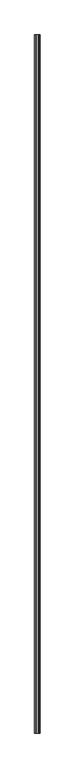
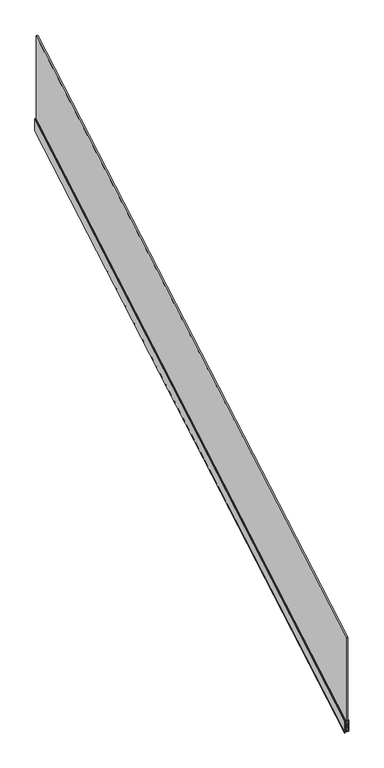
"""IFC4 building model written with IfcOpenShell, lengths in millimetres: railing geometry."""

from ifc_helpers import new_model, si_unit, frame, origin, place, context, project, spatial, polyline, ellipse_curve, faceted_brep, source, transform, mapped, element, save
from ifc_brep_helpers import plane_surface, cylinder_surface, revolved_surface, advanced_brep


def railing_a788dbf1(model_context):
    return source(origin(), model_context, "Body", "SolidModel", [
        faceted_brep([(-17221.6294741, -67863.9305034, 1172.4394537), (-17221.6294741, -67863.9305034, 28.1159935), (-17204.1094741, -67863.9305034, 28.1159935), (-17204.1094741, -67863.9305034, 1172.4394537), (-17221.6294741, -61563.9305034, 4824.6133667), (-17204.1094741, -61563.9305034, 4824.6133667), (-17204.1094741, -61563.9305034, 3680.2899066), (-17221.6294741, -61563.9305034, 3680.2899066)], [[[0, 1, 2, 3]], [[4, 5, 6, 7]], [[0, 3, 5, 4]], [[3, 2, 6, 5]], [[2, 1, 7, 6]], [[1, 0, 4, 7]]]),
        faceted_brep([(-17200.3694741, -67863.9305034, 15.4718663), (-17225.3694741, -67863.9305034, 15.4718663), (-17225.3694741, -67863.9305034, 92.3380381), (-17229.1694741, -67863.9305034, 118.8339228), (-17228.1694741, -67863.9305034, 119.5012718), (-17228.1694741, -67863.9305034, 142.6189174), (-17231.8694742, -67863.9305034, 142.6189174), (-17232.8694742, -67863.9305034, 143.7747997), (-17233.8694742, -67863.9305034, 143.7747997), (-17233.8694742, -67863.9305034, 8.8255945), (-17230.1194742, -67863.9305034, 8.8255945), (-17230.1194742, -67863.9305034, 6.9152149), (-17234.3694742, -67863.9305034, 6.224808), (-17234.3694742, -67863.9305034, 3.9130435), (-17189.3694741, -67863.9305034, 3.9130435), (-17189.3694741, -67863.9305034, 26.452748), (-17191.8694741, -67863.9305034, 29.3424537), (-17191.8694741, -67863.9305034, 47.8365702), (-17189.3694741, -67863.9305034, 50.7262759), (-17189.3694741, -67863.9305034, 95.805685), (-17191.8694741, -67863.9305034, 98.6953907), (-17191.8694741, -67863.9305034, 117.6518601), (-17189.3694741, -67863.9305034, 120.5415658), (-17189.3694741, -67863.9305034, 141.3474469), (-17190.4694741, -67863.9305034, 142.6189174), (-17196.3313801, -67863.9305034, 142.6189174), (-17200.3694741, -67863.9305034, 38.589512), (-17200.3694741, -61563.9305034, 3667.6457794), (-17200.3694741, -61563.9305034, 3690.763425), (-17196.3313801, -61563.9305034, 3794.7928305), (-17190.4694741, -61563.9305034, 3794.7928305), (-17189.3694741, -61563.9305034, 3793.52136), (-17189.3694741, -61563.9305034, 3772.7154789), (-17191.8694741, -61563.9305034, 3769.8257732), (-17191.8694741, -61563.9305034, 3750.8693037), (-17189.3694741, -61563.9305034, 3747.979598), (-17189.3694741, -61563.9305034, 3702.900189), (-17191.8694741, -61563.9305034, 3700.0104833), (-17191.8694741, -61563.9305034, 3681.5163667), (-17189.3694741, -61563.9305034, 3678.626661), (-17189.3694741, -61563.9305034, 3656.0869565), (-17234.3694742, -61563.9305034, 3656.0869565), (-17234.3694742, -61563.9305034, 3658.3987211), (-17230.1194742, -61563.9305034, 3659.0891279), (-17230.1194742, -61563.9305034, 3660.9995075), (-17233.8694742, -61563.9305034, 3660.9995075), (-17233.8694742, -61563.9305034, 3795.9487128), (-17232.8694742, -61563.9305034, 3795.9487128), (-17231.8694742, -61563.9305034, 3794.7928305), (-17228.1694741, -61563.9305034, 3794.7928305), (-17228.1694741, -61563.9305034, 3771.6751848), (-17229.1694741, -61563.9305034, 3771.0078359), (-17225.3694741, -61563.9305034, 3744.5119512), (-17225.3694741, -61563.9305034, 3667.6457794)], [[[0, 1, 2, 3, 4, 5, 6, 7, 8, 9, 10, 11, 12, 13, 14, 15, 16, 17, 18, 19, 20, 21, 22, 23, 24, 25, 26]], [[27, 28, 29, 30, 31, 32, 33, 34, 35, 36, 37, 38, 39, 40, 41, 42, 43, 44, 45, 46, 47, 48, 49, 50, 51, 52, 53]], [[1, 0, 27, 53]], [[2, 1, 53, 52]], [[3, 2, 52, 51]], [[4, 3, 51, 50]], [[5, 4, 50, 49]], [[6, 5, 49, 48]], [[7, 6, 48, 47]], [[8, 7, 47, 46]], [[9, 8, 46, 45]], [[10, 9, 45, 44]], [[11, 10, 44, 43]], [[12, 11, 43, 42]], [[13, 12, 42, 41]], [[14, 13, 41, 40]], [[15, 14, 40, 39]], [[16, 15, 39, 38]], [[17, 16, 38, 37]], [[18, 17, 37, 36]], [[19, 18, 36, 35]], [[20, 19, 35, 34]], [[21, 20, 34, 33]], [[22, 21, 33, 32]], [[23, 22, 32, 31]], [[24, 23, 31, 30]], [[25, 24, 30, 29]], [[26, 25, 29, 28]], [[0, 26, 28, 27]]]),
        advanced_brep(
        [(-17224.1694741, -67863.9305034, 15.7030428), (-17202.2709923, -67863.9305034, 15.7030428), (-17202.5565125, -67863.9305034, 17.7836309), (-17223.4194741, -67863.9305034, 17.7836309), (-17223.4194741, -67863.9305034, 145.7985353), (-17224.2936383, -67863.9305034, 146.1819002), (-17227.9694741, -67863.9305034, 143.67647), (-17227.9694741, -67863.9305034, 119.367802), (-17228.9495131, -67863.9305034, 118.713774), (-17225.1694741, -67863.9305034, 92.3570699), (-17225.1694741, -67863.9305034, 16.858925), (-17224.1694741, -61563.9305034, 3667.8769558), (-17225.1694741, -61563.9305034, 3669.0328381), (-17225.1694741, -61563.9305034, 3744.5309829), (-17228.9495131, -61563.9305034, 3770.8876871), (-17227.9694741, -61563.9305034, 3771.541715), (-17227.9694741, -61563.9305034, 3795.8503831), (-17224.2936383, -61563.9305034, 3798.3558133), (-17223.4194741, -61563.9305034, 3797.9724484), (-17223.4194741, -61563.9305034, 3669.9575439), (-17202.5565125, -61563.9305034, 3669.9575439), (-17202.2709923, -61563.9305034, 3667.8769558)],
        [
            (0, 1),
            (1, 2, ellipse_curve(frame((-17202.9279372, -67863.9305034, 16.6490617), z_axis=(0.0, -1.0, 0.0), x_axis=(0.0, 0.0, -1.0)), 1.2130811, 1.049485)),
            (2, 3),
            (3, 4),
            (4, 5, ellipse_curve(frame((-17223.9194741, -67863.9305034, 145.7985353), z_axis=(0.0, -1.0, 0.0), x_axis=(0.0, 0.0, -1.0)), 0.5779411, 0.5)),
            (5, 6, ellipse_curve(frame((-17229.4831862, -67863.9305034, 151.4990598), z_axis=(0.0, 1.0, 0.0), x_axis=(0.0, 0.0, 1.0)), 8.0158759, 6.9348549)),
            (6, 7),
            (7, 8),
            (8, 9),
            (9, 10),
            (10, 0, ellipse_curve(frame((-17224.1694741, -67863.9305034, 16.858925), z_axis=(0.0, -1.0, 0.0), x_axis=(0.0, 0.0, -1.0)), 1.1558823, 1.0)),
            (11, 12, ellipse_curve(frame((-17224.1694741, -61563.9305034, 3669.0328381), z_axis=(0.0, 1.0, 0.0), x_axis=(0.0, 0.0, -1.0)), 1.1558823, 1.0)),
            (12, 13),
            (13, 14),
            (14, 15),
            (15, 16),
            (16, 17, ellipse_curve(frame((-17229.4831862, -61563.9305034, 3803.6729729), z_axis=(0.0, -1.0, 0.0), x_axis=(0.0, 0.0, 1.0)), 8.0158759, 6.9348549)),
            (17, 18, ellipse_curve(frame((-17223.9194741, -61563.9305034, 3797.9724484), z_axis=(0.0, 1.0, 0.0), x_axis=(0.0, 0.0, -1.0)), 0.5779411, 0.5)),
            (18, 19),
            (19, 20),
            (20, 21, ellipse_curve(frame((-17202.9279372, -61563.9305034, 3668.8229747), z_axis=(0.0, 1.0, 0.0), x_axis=(0.0, 0.0, -1.0)), 1.2130811, 1.049485)),
            (21, 11),
            (0, 11),
            (21, 1),
            (20, 2),
            (19, 3),
            (18, 4),
            (17, 5),
            (16, 6),
            (15, 7),
            (14, 8),
            (13, 9),
            (12, 10),
        ],
        [
            plane_surface(frame((-17212.8694741, -67863.9305034, 3.9130435), z_axis=(0.0, -1.0, 0.0), x_axis=(0.0, 0.0, 1.0))),
            plane_surface(frame((-17212.8694741, -61563.9305034, 3656.0869565), z_axis=(0.0, 1.0, 0.0), x_axis=(0.0, 0.0, 1.0))),
            plane_surface(frame((-17224.1694741, -67863.9305034, 15.7030428), z_axis=(0.0, 0.5015304356318926, -0.8651400014650138), x_axis=(0.0, 0.8651400014650138, 0.5015304356318926))),
            cylinder_surface(frame((-17202.9279372, -67869.4565858, 13.4455356), z_axis=(0.0, -0.8651400014650138, -0.5015304356318926), x_axis=(-1.0, 0.0, 0.0)), 1.049485),
            plane_surface(frame((-17202.5565125, -67863.9305034, 17.7836309), z_axis=(0.0, -0.5015304356318926, 0.8651400014650138), x_axis=(0.0, 0.8651400014650138, 0.5015304356318926))),
            plane_surface(frame((-17223.4194741, -67863.9305034, 17.7836309), z_axis=(1.0, 0.0, 0.0), x_axis=(0.0, 0.8651400014650138, 0.5015304356318926))),
            cylinder_surface(frame((-17223.9194741, -67925.4937729, 110.1096834), z_axis=(0.0, -0.8651400014650138, -0.5015304356318926), x_axis=(-1.0, 0.0, 0.0)), 0.5),
            revolved_surface(polyline([(-17236.418041099998, -61560.45246259887, 3805.689228418052), (-17236.418041099998, -67867.4085442093, 149.48280429605524)]), (-17229.4831862, -67927.9671965, 114.3763392), (0.0, 0.8651400014650138, 0.5015304356318926)),
            plane_surface(frame((-17227.9694741, -67863.9305034, 143.67647), z_axis=(-1.0, 0.0, 0.0), x_axis=(0.0, 0.8651400014650138, 0.5015304356318926))),
            plane_surface(frame((-17227.9694741, -67863.9305034, 119.367802), z_axis=(-0.49999999999962685, -0.4343380980284026, 0.7492332190989952), x_axis=(0.0, 0.8651400014650138, 0.5015304356318926))),
            plane_surface(frame((-17228.9495131, -67863.9305034, 118.713774), z_axis=(-0.9865362159973995, 0.08202176393863957, -0.14148754279415018), x_axis=(0.0, 0.8651400014650138, 0.5015304356318926))),
            plane_surface(frame((-17225.1694741, -67863.9305034, 92.3570699), z_axis=(-1.0, 0.0, 0.0), x_axis=(0.0, 0.8651400014650138, 0.5015304356318926))),
            cylinder_surface(frame((-17224.1694741, -67869.5476442, 13.6026115), z_axis=(0.0, -0.8651400014650138, -0.5015304356318926), x_axis=(-1.0, 0.0, 0.0)), 1.0),
        ],
        [
            (0, [[1, 2, 3, 4, 5, 6, 7, 8, 9, 10, 11]]),
            (1, [[12, 13, 14, 15, 16, 17, 18, 19, 20, 21, 22]]),
            (2, [[-1, 23, -22, 24]]),
            (3, [[-2, -24, -21, 25]]),
            (4, [[-3, -25, -20, 26]]),
            (5, [[-4, -26, -19, 27]]),
            (6, [[-5, -27, -18, 28]]),
            (7, [[-6, -28, -17, 29]]),
            (8, [[-7, -29, -16, 30]]),
            (9, [[-8, -30, -15, 31]]),
            (10, [[-9, -31, -14, 32]]),
            (11, [[-10, -32, -13, 33]]),
            (12, [[-11, -33, -12, -23]]),
        ],
    ),
        faceted_brep([(-17200.285162, -67863.9305034, 45.9191459), (-17197.9294582, -67863.9305034, 106.6068032), (-17202.260447, -67863.9305034, 106.6068032), (-17202.260447, -67863.9305034, 45.9191459), (-17200.285162, -61563.9305034, 3698.0930589), (-17202.260447, -61563.9305034, 3698.0930589), (-17202.260447, -61563.9305034, 3758.7807162), (-17197.9294582, -61563.9305034, 3758.7807162)], [[[0, 1, 2, 3]], [[4, 5, 6, 7]], [[1, 0, 4, 7]], [[2, 1, 7, 6]], [[3, 2, 6, 5]], [[0, 3, 5, 4]]]),
        advanced_brep(
        [(-17196.9164634, -67863.9305034, 132.7035813), (-17196.4711652, -67863.9305034, 144.175356), (-17201.7240697, -67863.9305034, 145.3555825), (-17202.3194741, -67863.9305034, 144.7882598), (-17202.3194741, -67863.9305034, 130.061256), (-17201.3438894, -67863.9305034, 129.1592324), (-17198.270264, -67863.9305034, 129.1592324), (-17196.9164634, -61563.9305034, 3784.8774944), (-17198.270264, -61563.9305034, 3781.3331454), (-17201.3438894, -61563.9305034, 3781.3331454), (-17202.3194741, -61563.9305034, 3782.235169), (-17202.3194741, -61563.9305034, 3796.9621728), (-17201.7240697, -61563.9305034, 3797.5294955), (-17196.4711652, -61563.9305034, 3796.349269)],
        [
            (0, 1),
            (1, 2),
            (2, 3, ellipse_curve(frame((-17201.8194741, -67863.9305034, 144.7882598), z_axis=(0.0, -1.0, 0.0), x_axis=(0.0, 0.0, -1.0)), 0.5779411, 0.5)),
            (3, 4),
            (4, 5, ellipse_curve(frame((-17201.3438894, -67863.9305034, 130.3151147), z_axis=(0.0, -1.0, 0.0), x_axis=(0.0, 0.0, -1.0)), 1.1558823, 1.0)),
            (5, 6),
            (6, 0, ellipse_curve(frame((-17212.5201041, -67863.9305034, 138.5488711), z_axis=(0.0, -1.0, 0.0), x_axis=(0.0, 0.0, -1.0)), 18.9595277, 16.4026458)),
            (7, 8, ellipse_curve(frame((-17212.5201041, -61563.9305034, 3790.7227841), z_axis=(0.0, 1.0, 0.0), x_axis=(0.0, 0.0, -1.0)), 18.9595277, 16.4026458)),
            (8, 9),
            (9, 10, ellipse_curve(frame((-17201.3438894, -61563.9305034, 3782.4890277), z_axis=(0.0, 1.0, 0.0), x_axis=(0.0, 0.0, -1.0)), 1.1558823, 1.0)),
            (10, 11),
            (11, 12, ellipse_curve(frame((-17201.8194741, -61563.9305034, 3796.9621728), z_axis=(0.0, 1.0, 0.0), x_axis=(0.0, 0.0, -1.0)), 0.5779411, 0.5)),
            (12, 13),
            (13, 7),
            (0, 7),
            (13, 1),
            (12, 2),
            (11, 3),
            (10, 4),
            (9, 5),
            (8, 6),
        ],
        [
            plane_surface(frame((-17212.8694741, -67863.9305034, 3.9130435), z_axis=(0.0, -1.0, 0.0), x_axis=(0.0, 0.0, 1.0))),
            plane_surface(frame((-17212.8694741, -61563.9305034, 3656.0869565), z_axis=(0.0, 1.0, 0.0), x_axis=(0.0, 0.0, 1.0))),
            plane_surface(frame((-17196.9164634, -67863.9305034, 132.7035813), z_axis=(0.9989949613987467, 0.022479907218657395, -0.038777839952186914), x_axis=(0.0, 0.8651400014650138, 0.5015304356318927))),
            plane_surface(frame((-17196.4711652, -67863.9305034, 144.175356), z_axis=(0.19080899537654372, -0.49231590894261507, 0.8492449429260096), x_axis=(0.0, 0.8651400014650138, 0.5015304356318926))),
            cylinder_surface(frame((-17201.8194741, -67925.0554204, 109.3535253), z_axis=(0.0, -0.8651400014650138, -0.5015304356318926), x_axis=(-1.0, 0.0, 0.0)), 0.5),
            plane_surface(frame((-17202.3194741, -67863.9305034, 144.7882598), z_axis=(-1.0, 0.0, 0.0), x_axis=(0.0, 0.8651400014650138, 0.5015304356318926))),
            cylinder_surface(frame((-17201.3438894, -67918.7756089, 98.5208506), z_axis=(0.0, -0.8651400014650138, -0.5015304356318926), x_axis=(-1.0, 0.0, 0.0)), 1.0),
            plane_surface(frame((-17201.3438894, -67863.9305034, 129.1592324), z_axis=(0.0, 0.5015304356318926, -0.8651400014650138), x_axis=(0.0, 0.8651400014650138, 0.5015304356318926))),
            cylinder_surface(frame((-17212.5201041, -67922.3481868, 104.6835474), z_axis=(0.0, -0.8651400014650138, -0.5015304356318926), x_axis=(-1.0, 0.0, 0.0)), 16.4026458),
        ],
        [
            (0, [[1, 2, 3, 4, 5, 6, 7]]),
            (1, [[8, 9, 10, 11, 12, 13, 14]]),
            (2, [[-1, 15, -14, 16]]),
            (3, [[-2, -16, -13, 17]]),
            (4, [[-3, -17, -12, 18]]),
            (5, [[-4, -18, -11, 19]]),
            (6, [[-5, -19, -10, 20]]),
            (7, [[-6, -20, -9, 21]]),
            (8, [[-7, -21, -8, -15]]),
        ],
    ),
        faceted_brep([(-17234.8694742, -67863.9305034, 6.3770321), (-17230.4996134, -67863.9305034, 7.0869101), (-17230.4996134, -67863.9305034, 8.594418), (-17234.8694742, -67863.9305034, 8.594418), (-17234.8694742, -67863.9305034, 144.930682), (-17233.5866315, -67863.9305034, 144.930682), (-17231.7866315, -67863.9305034, 142.8500939), (-17230.3552606, -67863.9305034, 142.8500939), (-17228.5552606, -67863.9305034, 144.930682), (-17225.3694742, -67863.9305034, 144.930682), (-17225.3694742, -67863.9305034, 146.6645054), (-17236.3694742, -67863.9305034, 146.6645054), (-17236.3694742, -67863.9305034, -3.6001914), (-17234.8694742, -67863.9305034, -3.6001914), (-17234.8694742, -61563.9305034, 3658.5509451), (-17234.8694742, -61563.9305034, 3648.5737217), (-17236.3694742, -61563.9305034, 3648.5737217), (-17236.3694742, -61563.9305034, 3798.8384185), (-17225.3694742, -61563.9305034, 3798.8384185), (-17225.3694742, -61563.9305034, 3797.104595), (-17228.5552606, -61563.9305034, 3797.104595), (-17230.3552606, -61563.9305034, 3795.0240069), (-17231.7866315, -61563.9305034, 3795.0240069), (-17233.5866315, -61563.9305034, 3797.104595), (-17234.8694742, -61563.9305034, 3797.104595), (-17234.8694742, -61563.9305034, 3660.7683311), (-17230.4996134, -61563.9305034, 3660.7683311), (-17230.4996134, -61563.9305034, 3659.2608232)], [[[0, 1, 2, 3, 4, 5, 6, 7, 8, 9, 10, 11, 12, 13]], [[14, 15, 16, 17, 18, 19, 20, 21, 22, 23, 24, 25, 26, 27]], [[1, 0, 14, 27]], [[2, 1, 27, 26]], [[3, 2, 26, 25]], [[4, 3, 25, 24]], [[5, 4, 24, 23]], [[6, 5, 23, 22]], [[7, 6, 22, 21]], [[8, 7, 21, 20]], [[9, 8, 20, 19]], [[10, 9, 19, 18]], [[11, 10, 18, 17]], [[12, 11, 17, 16]], [[13, 12, 16, 15]], [[0, 13, 15, 14]]]),
    ])


if __name__ == "__main__":
    model = new_model("IFC4")
    model_context = context("Model", 3, world=origin())
    ifc_project = project(units=[si_unit("LENGTHUNIT", "METRE", prefix="MILLI")], contexts=[model_context])
    site = spatial("IfcSite", under=ifc_project)
    building = spatial("IfcBuilding", under=site)
    placement = place(None, origin())
    railing_shape = railing_a788dbf1(model_context)
    element("IfcRailing", 1, at=placement, inside=building, context=model_context, shape_type="MappedRepresentation", body=[
        mapped(railing_shape, transform((0.0, 0.0, 0.0), x_axis=(1.0, 0.0, 0.0), y_axis=(0.0, 1.0, 0.0), z_axis=(0.0, 0.0, 1.0))),
    ])
    save(model, "model.ifc")
